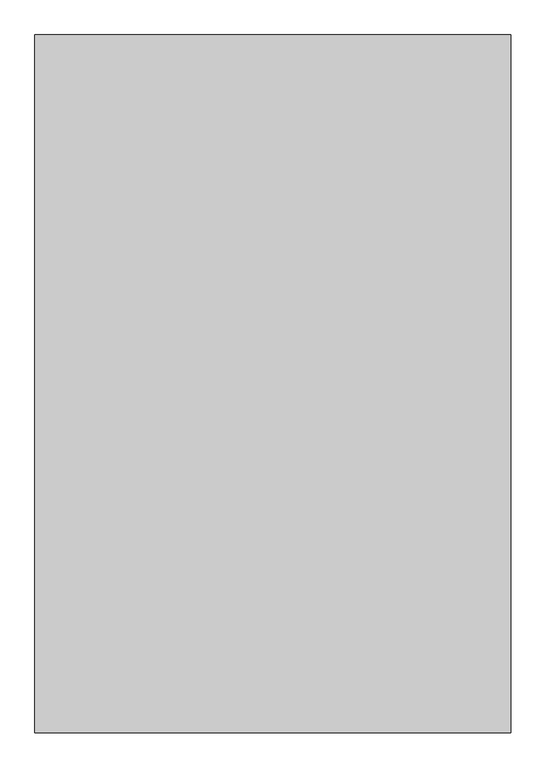
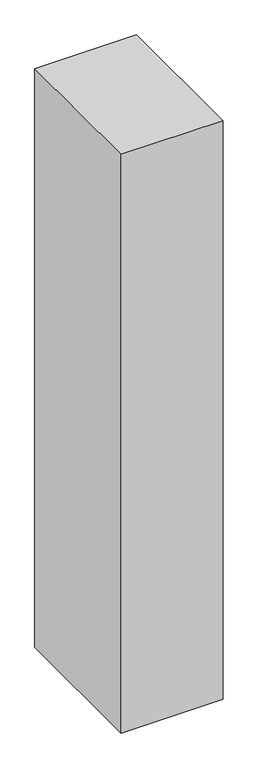
"""IFC4 building model written with IfcOpenShell, lengths in millimetres: proxy geometry."""

from ifc_helpers import new_model, si_unit, frame, origin, place, context, project, spatial, polyline, outline, extrude, source, transform, mapped, element, save


def generic_models_85c7d06e(model_context):
    return source(origin(), model_context, "Body", "SweptSolid", [
        extrude(outline(polyline([(1500.0, -1790.3998032), (0.0, -1790.3998032), (0.0, 409.6001968), (1500.0, 409.6001968), (1500.0, -1790.3998032)])), frame((0.0, 0.0, 1500.0), z_axis=(0.0, 0.0, 1.0), x_axis=(1.0, 0.0, 0.0)), (0.0, 0.0, 1.0), 9000.0),
    ])


if __name__ == "__main__":
    model = new_model("IFC4")
    model_context = context("Model", 3, world=origin())
    ifc_project = project(units=[si_unit("LENGTHUNIT", "METRE", prefix="MILLI")], contexts=[model_context])
    site = spatial("IfcSite", under=ifc_project)
    building = spatial("IfcBuilding", under=site)
    placement = place(None, origin())
    generic_models_shape = generic_models_85c7d06e(model_context)
    element("IfcBuildingElementProxy", 1, Name="Generic Models", at=placement, inside=building, context=model_context, shape_type="MappedRepresentation", body=[
        mapped(generic_models_shape, transform((0.0, 0.0, 0.0), x_axis=(1.0, 0.0, 0.0), y_axis=(0.0, 1.0, 0.0), z_axis=(0.0, 0.0, 1.0))),
    ])
    save(model, "model.ifc")
